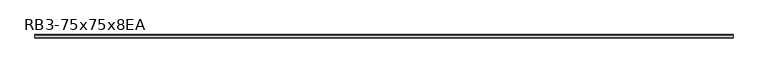
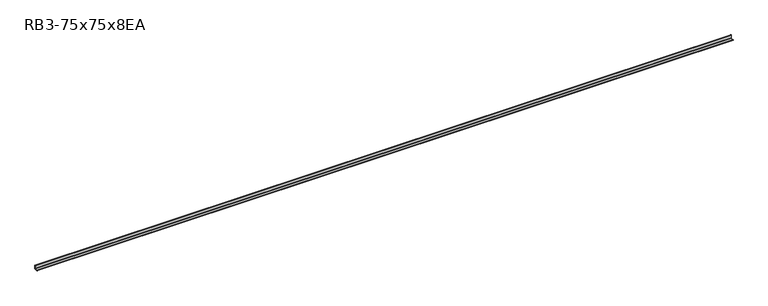
"""IFC4 building model written with IfcOpenShell, lengths in millimetres: member geometry, RB3-75x75x8EA."""

import ifcopenshell
import ifcopenshell.guid

model = None  # the IFC model being written
_history = None  # IfcOwnerHistory: only IFC2X3 demands one
_inside = {}  # id of a spatial element -> (the spatial element, [elements in it])
_under = {}  # id of a project, library or spatial element -> (it, [spatial elements below it])
_declared = {}  # id of a project -> (the project, [libraries it declares])
_typed = {}  # id of a type object -> (the type object, [elements of that type])
_made_of = {}  # id of a material, layer set ... -> (it, [elements and type objects made of it])


def new_model(schema):
    """Start an empty IFC model of exactly this schema.

    Asked for "IFC4X3", IfcOpenShell would pick the latest addendum, in which some entities
    have other attributes; the version numbers below select the first issue.
    IFC2X3 requires an IfcOwnerHistory on every rooted entity: one is made here for all.
    """
    global model, _history
    if schema == "IFC4X3":
        model = ifcopenshell.file(schema_version=(4, 3, 0, 0))
    else:
        model = ifcopenshell.file(schema=schema)
    _inside.clear()
    _under.clear()
    _declared.clear()
    _typed.clear()
    _made_of.clear()
    _history = None
    if model.schema == "IFC2X3":
        org = make("IfcOrganization", Name="unknown")
        user = make(
            "IfcPersonAndOrganization",
            ThePerson=make("IfcPerson", FamilyName="unknown"),
            TheOrganization=org,
        )
        app = make(
            "IfcApplication",
            ApplicationDeveloper=org,
            Version="unknown",
            ApplicationFullName="unknown",
            ApplicationIdentifier="unknown",
        )
        _history = make(
            "IfcOwnerHistory",
            OwningUser=user,
            OwningApplication=app,
            ChangeAction="ADDED",
            CreationDate=0,
        )
    return model


def make(cls, **values):
    """One entity of the class cls with the attributes given. An attribute that is None is left unset."""
    return model.create_entity(
        cls, **{name: value for name, value in values.items() if value is not None}
    )


def rooted(cls, **values):
    """An entity with a GlobalId (a new one), such as an element, a storey or a relation."""
    return make(cls, GlobalId=ifcopenshell.guid.new(), OwnerHistory=_history, **values)


def si_unit(unit_type, name, prefix=None):
    """IfcSIUnit, for example si_unit("LENGTHUNIT", "METRE", prefix="MILLI")."""
    return make("IfcSIUnit", UnitType=unit_type, Prefix=prefix, Name=name)


def assignment(units):
    """IfcUnitAssignment: the units of a project."""
    return None if units is None else make("IfcUnitAssignment", Units=units)


def point(xyz):
    """IfcCartesianPoint."""
    return None if xyz is None else make("IfcCartesianPoint", Coordinates=xyz)


def direction(xyz):
    """IfcDirection."""
    return None if xyz is None else make("IfcDirection", DirectionRatios=xyz)


def frame(location, z_axis=None, x_axis=None):
    """IfcAxis2Placement3D, a coordinate frame: its origin and axes. An axis left out is left unset."""
    return make(
        "IfcAxis2Placement3D",
        Location=point(location),
        Axis=direction(z_axis),
        RefDirection=direction(x_axis),
    )


def frame_2d(location, x_axis=None):
    """IfcAxis2Placement2D, a coordinate frame in the plane: its origin and x axis."""
    return make(
        "IfcAxis2Placement2D", Location=point(location), RefDirection=direction(x_axis)
    )


def origin():
    """The frame at (0, 0, 0) with its axes left unset."""
    return frame((0.0, 0.0, 0.0))


def place(relative_to, where):
    """IfcLocalPlacement: puts the frame where relative to a parent placement (None: the world)."""
    return make(
        "IfcLocalPlacement", PlacementRelTo=relative_to, RelativePlacement=where
    )


def context(
    kind, dimensions, precision=None, world=None, true_north=None, identifier=None
):
    """IfcGeometricRepresentationContext, for example the 3D "Model" context."""
    return make(
        "IfcGeometricRepresentationContext",
        ContextIdentifier=identifier,
        ContextType=kind,
        CoordinateSpaceDimension=dimensions,
        Precision=precision,
        WorldCoordinateSystem=world,
        TrueNorth=true_north,
    )


def project(units=None, contexts=None):
    """IfcProject with its units and contexts."""
    return rooted(
        "IfcProject",
        Name="project",
        RepresentationContexts=contexts,
        UnitsInContext=assignment(units),
    )


def spatial(cls, under=None, at=None, **own):
    """A site, building, storey or space (cls), placed at a placement, below another one or the project."""
    s = rooted(cls, ObjectPlacement=at, **own)
    if under is not None:
        _under.setdefault(under.id(), (under, []))[1].append(s)
    return s


def polyline(points):
    """IfcPolyline through the points."""
    return make("IfcPolyline", Points=[point(p) for p in points])


def circle_curve(where, radius):
    """IfcCircle in the frame where."""
    return make("IfcCircle", Position=where, Radius=radius)


def trimmed(basis, trim1, trim2, sense, master):
    """IfcTrimmedCurve: the piece of a basis curve between two trims."""
    return make(
        "IfcTrimmedCurve",
        BasisCurve=basis,
        Trim1=trim1,
        Trim2=trim2,
        SenseAgreement=sense,
        MasterRepresentation=master,
    )


def segment(curve, same_sense, transition):
    """IfcCompositeCurveSegment."""
    return make(
        "IfcCompositeCurveSegment",
        Transition=transition,
        SameSense=same_sense,
        ParentCurve=curve,
    )


def composite_curve(segments, self_intersect=None):
    """IfcCompositeCurve: segments joined end to end."""
    return make("IfcCompositeCurve", Segments=segments, SelfIntersect=self_intersect)


def outline(outer, holes=None, kind="AREA"):
    """IfcArbitraryClosedProfileDef: a profile drawn as a closed curve; with holes, ...WithVoids."""
    if holes is None:
        return make("IfcArbitraryClosedProfileDef", ProfileType=kind, OuterCurve=outer)
    return make(
        "IfcArbitraryProfileDefWithVoids",
        ProfileType=kind,
        OuterCurve=outer,
        InnerCurves=holes,
    )


def extrude(swept, where, along, depth):
    """IfcExtrudedAreaSolid: the profile swept, set in the frame where, extruded along a direction by depth."""
    return make(
        "IfcExtrudedAreaSolid",
        SweptArea=swept,
        Position=where,
        ExtrudedDirection=direction(along),
        Depth=depth,
    )


def shape(context_of_items, identifier, shape_type, items):
    """IfcShapeRepresentation: the items that make up one representation, for example the "Body"."""
    return make(
        "IfcShapeRepresentation",
        ContextOfItems=context_of_items,
        RepresentationIdentifier=identifier,
        RepresentationType=shape_type,
        Items=items,
    )


def source(mapping_origin, context_of_items, identifier, shape_type, items):
    """IfcRepresentationMap: a shape defined once, which mapped items show again and again."""
    return make(
        "IfcRepresentationMap",
        MappingOrigin=mapping_origin,
        MappedRepresentation=shape(context_of_items, identifier, shape_type, items),
    )


def transform(
    local_origin,
    x_axis=None,
    y_axis=None,
    z_axis=None,
    scale=None,
    scale2=None,
    scale3=None,
    uniform=True,
):
    """IfcCartesianTransformationOperator3D, or its non-uniform kind. x_axis, y_axis, z_axis: its Axis1, 2, 3."""
    if uniform:
        return make(
            "IfcCartesianTransformationOperator3D",
            Axis1=direction(x_axis),
            Axis2=direction(y_axis),
            LocalOrigin=point(local_origin),
            Scale=scale,
            Axis3=direction(z_axis),
        )
    return make(
        "IfcCartesianTransformationOperator3DnonUniform",
        Axis1=direction(x_axis),
        Axis2=direction(y_axis),
        LocalOrigin=point(local_origin),
        Scale=scale,
        Axis3=direction(z_axis),
        Scale2=scale2,
        Scale3=scale3,
    )


def mapped(mapping_source, mapping_target):
    """IfcMappedItem: shows the shape of a source again, moved by a transform."""
    return make(
        "IfcMappedItem", MappingSource=mapping_source, MappingTarget=mapping_target
    )


def made_of(thing, what):
    """Note that an element or type object is made of a material, layer set ...; save() writes the relation."""
    if what is not None:
        _made_of.setdefault(what.id(), (what, []))[1].append(thing)
    return thing


def element(
    cls,
    number,
    at=None,
    inside=None,
    cuts=None,
    type_object=None,
    material=None,
    context=None,
    identifier="Body",
    shape_type=None,
    held_by="IfcProductDefinitionShape",
    body=None,
    shapes=None,
    **own,
):
    """One element of the class cls, such as IfcWall. Its Tag is "e" and its number.

    at: its placement. inside: the storey or other place that contains it. cuts: it is an
    opening in that element (IfcRelVoidsElement). A single representation is given by context,
    identifier, shape_type and body (its items); several are given by shapes. held_by: the class
    of the entity that holds the representations. save() writes the other relations.
    """
    e = rooted(cls, Tag="e%d" % number, ObjectPlacement=at, **own)
    if body is not None:
        shapes = [shape(context, identifier, shape_type, body)]
    if shapes is not None:
        e.Representation = make(held_by, Representations=shapes)
    if inside is not None:
        _inside.setdefault(inside.id(), (inside, []))[1].append(e)
    if cuts is not None:
        rooted(
            "IfcRelVoidsElement", RelatingBuildingElement=cuts, RelatedOpeningElement=e
        )
    if type_object is not None:
        _typed.setdefault(type_object.id(), (type_object, []))[1].append(e)
    return made_of(e, material)


def aggregate(whole, parts):
    """IfcRelAggregates: a whole, such as a stair, and the parts it consists of."""
    return rooted("IfcRelAggregates", RelatingObject=whole, RelatedObjects=parts)


def save(model, path):
    """Write the relations noted so far, then the file.

    IfcRelAggregates (storeys below a building ...), IfcRelContainedInSpatialStructure (elements
    in a storey), IfcRelDefinesByType, IfcRelAssociatesMaterial and IfcRelDeclares: one each for
    every whole, place, type object, material and project.
    """
    for whole, parts in _under.values():
        aggregate(whole, parts)
    for where, things in _inside.values():
        rooted(
            "IfcRelContainedInSpatialStructure",
            RelatedElements=things,
            RelatingStructure=where,
        )
    for kind, things in _typed.values():
        rooted("IfcRelDefinesByType", RelatedObjects=things, RelatingType=kind)
    for what, things in _made_of.values():
        rooted("IfcRelAssociatesMaterial", RelatedObjects=things, RelatingMaterial=what)
    for by, libraries in _declared.values():
        rooted("IfcRelDeclares", RelatingContext=by, RelatedDefinitions=libraries)
    model.write(path)


def rb3_75x75x8ea_f3c32767(model_context):
    return source(origin(), model_context, "Body", "SweptSolid", [
        extrude(outline(composite_curve([segment(polyline([(21.3, -21.3), (-53.7, -21.3), (-53.7, -18.3)]), True, "CONTINUOUS"), segment(trimmed(circle_curve(frame_2d((-48.7, -18.3)), 5.0), [point((-53.7, -18.3))], [point((-48.7, -13.3))], False, "CARTESIAN"), True, "CONTINUOUS"), segment(polyline([(-48.7, -13.3), (5.3, -13.3)]), True, "CONTINUOUS"), segment(trimmed(circle_curve(frame_2d((5.3, -5.3)), 8.0), [point((5.3, -13.3))], [point((13.3, -5.3))], True, "CARTESIAN"), True, "CONTINUOUS"), segment(polyline([(13.3, -5.3), (13.3, 48.7)]), True, "CONTINUOUS"), segment(trimmed(circle_curve(frame_2d((18.3, 48.7)), 5.0), [point((13.3, 48.7))], [point((18.3, 53.7))], False, "CARTESIAN"), True, "CONTINUOUS"), segment(polyline([(18.3, 53.7), (21.3, 53.7), (21.3, -21.3)]), True, "CONTINUOUS")], self_intersect=False)), frame((-7399.0, 0.0, 0.0), z_axis=(1.0, 0.0, 0.0), x_axis=(0.0, 1.0, 0.0)), (0.0, 0.0, 1.0), 14636.9058031),
    ])


if __name__ == "__main__":
    model = new_model("IFC4")
    model_context = context("Model", 3, world=origin())
    ifc_project = project(units=[si_unit("LENGTHUNIT", "METRE", prefix="MILLI")], contexts=[model_context])
    site = spatial("IfcSite", under=ifc_project)
    building = spatial("IfcBuilding", under=site)
    placement = place(None, origin())
    rb3_75x75x8ea_shape = rb3_75x75x8ea_f3c32767(model_context)
    element("IfcMember", 1, ObjectType="RB3-75x75x8EA", at=placement, inside=building, context=model_context, shape_type="MappedRepresentation", body=[
        mapped(rb3_75x75x8ea_shape, transform((0.0, 0.0, 0.0), x_axis=(1.0, 0.0, 0.0), y_axis=(0.0, 1.0, 0.0), z_axis=(0.0, 0.0, 1.0))),
    ])
    save(model, "model.ifc")
